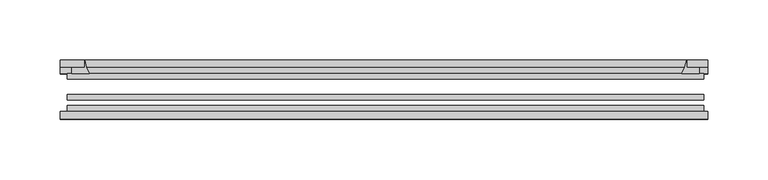
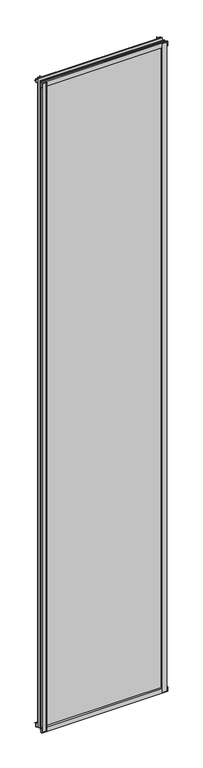
"""IFC4 building model written with IfcOpenShell, lengths in millimetres: plate geometry."""

import ifcopenshell
import ifcopenshell.guid

model = None  # the IFC model being written
_history = None  # IfcOwnerHistory: only IFC2X3 demands one
_inside = {}  # id of a spatial element -> (the spatial element, [elements in it])
_under = {}  # id of a project, library or spatial element -> (it, [spatial elements below it])
_declared = {}  # id of a project -> (the project, [libraries it declares])
_typed = {}  # id of a type object -> (the type object, [elements of that type])
_made_of = {}  # id of a material, layer set ... -> (it, [elements and type objects made of it])


def new_model(schema):
    """Start an empty IFC model of exactly this schema.

    Asked for "IFC4X3", IfcOpenShell would pick the latest addendum, in which some entities
    have other attributes; the version numbers below select the first issue.
    IFC2X3 requires an IfcOwnerHistory on every rooted entity: one is made here for all.
    """
    global model, _history
    if schema == "IFC4X3":
        model = ifcopenshell.file(schema_version=(4, 3, 0, 0))
    else:
        model = ifcopenshell.file(schema=schema)
    _inside.clear()
    _under.clear()
    _declared.clear()
    _typed.clear()
    _made_of.clear()
    _history = None
    if model.schema == "IFC2X3":
        org = make("IfcOrganization", Name="unknown")
        user = make(
            "IfcPersonAndOrganization",
            ThePerson=make("IfcPerson", FamilyName="unknown"),
            TheOrganization=org,
        )
        app = make(
            "IfcApplication",
            ApplicationDeveloper=org,
            Version="unknown",
            ApplicationFullName="unknown",
            ApplicationIdentifier="unknown",
        )
        _history = make(
            "IfcOwnerHistory",
            OwningUser=user,
            OwningApplication=app,
            ChangeAction="ADDED",
            CreationDate=0,
        )
    return model


def make(cls, **values):
    """One entity of the class cls with the attributes given. An attribute that is None is left unset."""
    return model.create_entity(
        cls, **{name: value for name, value in values.items() if value is not None}
    )


def rooted(cls, **values):
    """An entity with a GlobalId (a new one), such as an element, a storey or a relation."""
    return make(cls, GlobalId=ifcopenshell.guid.new(), OwnerHistory=_history, **values)


def si_unit(unit_type, name, prefix=None):
    """IfcSIUnit, for example si_unit("LENGTHUNIT", "METRE", prefix="MILLI")."""
    return make("IfcSIUnit", UnitType=unit_type, Prefix=prefix, Name=name)


def assignment(units):
    """IfcUnitAssignment: the units of a project."""
    return None if units is None else make("IfcUnitAssignment", Units=units)


def point(xyz):
    """IfcCartesianPoint."""
    return None if xyz is None else make("IfcCartesianPoint", Coordinates=xyz)


def direction(xyz):
    """IfcDirection."""
    return None if xyz is None else make("IfcDirection", DirectionRatios=xyz)


def frame(location, z_axis=None, x_axis=None):
    """IfcAxis2Placement3D, a coordinate frame: its origin and axes. An axis left out is left unset."""
    return make(
        "IfcAxis2Placement3D",
        Location=point(location),
        Axis=direction(z_axis),
        RefDirection=direction(x_axis),
    )


def frame_2d(location, x_axis=None):
    """IfcAxis2Placement2D, a coordinate frame in the plane: its origin and x axis."""
    return make(
        "IfcAxis2Placement2D", Location=point(location), RefDirection=direction(x_axis)
    )


def origin():
    """The frame at (0, 0, 0) with its axes left unset."""
    return frame((0.0, 0.0, 0.0))


def place(relative_to, where):
    """IfcLocalPlacement: puts the frame where relative to a parent placement (None: the world)."""
    return make(
        "IfcLocalPlacement", PlacementRelTo=relative_to, RelativePlacement=where
    )


def context(
    kind, dimensions, precision=None, world=None, true_north=None, identifier=None
):
    """IfcGeometricRepresentationContext, for example the 3D "Model" context."""
    return make(
        "IfcGeometricRepresentationContext",
        ContextIdentifier=identifier,
        ContextType=kind,
        CoordinateSpaceDimension=dimensions,
        Precision=precision,
        WorldCoordinateSystem=world,
        TrueNorth=true_north,
    )


def project(units=None, contexts=None):
    """IfcProject with its units and contexts."""
    return rooted(
        "IfcProject",
        Name="project",
        RepresentationContexts=contexts,
        UnitsInContext=assignment(units),
    )


def spatial(cls, under=None, at=None, **own):
    """A site, building, storey or space (cls), placed at a placement, below another one or the project."""
    s = rooted(cls, ObjectPlacement=at, **own)
    if under is not None:
        _under.setdefault(under.id(), (under, []))[1].append(s)
    return s


def polyline(points):
    """IfcPolyline through the points."""
    return make("IfcPolyline", Points=[point(p) for p in points])


def circle_curve(where, radius):
    """IfcCircle in the frame where."""
    return make("IfcCircle", Position=where, Radius=radius)


def trimmed(basis, trim1, trim2, sense, master):
    """IfcTrimmedCurve: the piece of a basis curve between two trims."""
    return make(
        "IfcTrimmedCurve",
        BasisCurve=basis,
        Trim1=trim1,
        Trim2=trim2,
        SenseAgreement=sense,
        MasterRepresentation=master,
    )


def segment(curve, same_sense, transition):
    """IfcCompositeCurveSegment."""
    return make(
        "IfcCompositeCurveSegment",
        Transition=transition,
        SameSense=same_sense,
        ParentCurve=curve,
    )


def composite_curve(segments, self_intersect=None):
    """IfcCompositeCurve: segments joined end to end."""
    return make("IfcCompositeCurve", Segments=segments, SelfIntersect=self_intersect)


def outline(outer, holes=None, kind="AREA"):
    """IfcArbitraryClosedProfileDef: a profile drawn as a closed curve; with holes, ...WithVoids."""
    if holes is None:
        return make("IfcArbitraryClosedProfileDef", ProfileType=kind, OuterCurve=outer)
    return make(
        "IfcArbitraryProfileDefWithVoids",
        ProfileType=kind,
        OuterCurve=outer,
        InnerCurves=holes,
    )


def extrude(swept, where, along, depth):
    """IfcExtrudedAreaSolid: the profile swept, set in the frame where, extruded along a direction by depth."""
    return make(
        "IfcExtrudedAreaSolid",
        SweptArea=swept,
        Position=where,
        ExtrudedDirection=direction(along),
        Depth=depth,
    )


def shape(context_of_items, identifier, shape_type, items):
    """IfcShapeRepresentation: the items that make up one representation, for example the "Body"."""
    return make(
        "IfcShapeRepresentation",
        ContextOfItems=context_of_items,
        RepresentationIdentifier=identifier,
        RepresentationType=shape_type,
        Items=items,
    )


def source(mapping_origin, context_of_items, identifier, shape_type, items):
    """IfcRepresentationMap: a shape defined once, which mapped items show again and again."""
    return make(
        "IfcRepresentationMap",
        MappingOrigin=mapping_origin,
        MappedRepresentation=shape(context_of_items, identifier, shape_type, items),
    )


def transform(
    local_origin,
    x_axis=None,
    y_axis=None,
    z_axis=None,
    scale=None,
    scale2=None,
    scale3=None,
    uniform=True,
):
    """IfcCartesianTransformationOperator3D, or its non-uniform kind. x_axis, y_axis, z_axis: its Axis1, 2, 3."""
    if uniform:
        return make(
            "IfcCartesianTransformationOperator3D",
            Axis1=direction(x_axis),
            Axis2=direction(y_axis),
            LocalOrigin=point(local_origin),
            Scale=scale,
            Axis3=direction(z_axis),
        )
    return make(
        "IfcCartesianTransformationOperator3DnonUniform",
        Axis1=direction(x_axis),
        Axis2=direction(y_axis),
        LocalOrigin=point(local_origin),
        Scale=scale,
        Axis3=direction(z_axis),
        Scale2=scale2,
        Scale3=scale3,
    )


def mapped(mapping_source, mapping_target):
    """IfcMappedItem: shows the shape of a source again, moved by a transform."""
    return make(
        "IfcMappedItem", MappingSource=mapping_source, MappingTarget=mapping_target
    )


def made_of(thing, what):
    """Note that an element or type object is made of a material, layer set ...; save() writes the relation."""
    if what is not None:
        _made_of.setdefault(what.id(), (what, []))[1].append(thing)
    return thing


def element(
    cls,
    number,
    at=None,
    inside=None,
    cuts=None,
    type_object=None,
    material=None,
    context=None,
    identifier="Body",
    shape_type=None,
    held_by="IfcProductDefinitionShape",
    body=None,
    shapes=None,
    **own,
):
    """One element of the class cls, such as IfcWall. Its Tag is "e" and its number.

    at: its placement. inside: the storey or other place that contains it. cuts: it is an
    opening in that element (IfcRelVoidsElement). A single representation is given by context,
    identifier, shape_type and body (its items); several are given by shapes. held_by: the class
    of the entity that holds the representations. save() writes the other relations.
    """
    e = rooted(cls, Tag="e%d" % number, ObjectPlacement=at, **own)
    if body is not None:
        shapes = [shape(context, identifier, shape_type, body)]
    if shapes is not None:
        e.Representation = make(held_by, Representations=shapes)
    if inside is not None:
        _inside.setdefault(inside.id(), (inside, []))[1].append(e)
    if cuts is not None:
        rooted(
            "IfcRelVoidsElement", RelatingBuildingElement=cuts, RelatedOpeningElement=e
        )
    if type_object is not None:
        _typed.setdefault(type_object.id(), (type_object, []))[1].append(e)
    return made_of(e, material)


def aggregate(whole, parts):
    """IfcRelAggregates: a whole, such as a stair, and the parts it consists of."""
    return rooted("IfcRelAggregates", RelatingObject=whole, RelatedObjects=parts)


def save(model, path):
    """Write the relations noted so far, then the file.

    IfcRelAggregates (storeys below a building ...), IfcRelContainedInSpatialStructure (elements
    in a storey), IfcRelDefinesByType, IfcRelAssociatesMaterial and IfcRelDeclares: one each for
    every whole, place, type object, material and project.
    """
    for whole, parts in _under.values():
        aggregate(whole, parts)
    for where, things in _inside.values():
        rooted(
            "IfcRelContainedInSpatialStructure",
            RelatedElements=things,
            RelatingStructure=where,
        )
    for kind, things in _typed.values():
        rooted("IfcRelDefinesByType", RelatedObjects=things, RelatingType=kind)
    for what, things in _made_of.values():
        rooted("IfcRelAssociatesMaterial", RelatedObjects=things, RelatingMaterial=what)
    for by, libraries in _declared.values():
        rooted("IfcRelDeclares", RelatingContext=by, RelatedDefinitions=libraries)
    model.write(path)


def plate_4a44f45f(model_context):
    return source(origin(), model_context, "Body", "SweptSolid", [
        extrude(outline(composite_curve([segment(polyline([(-266.1046875, -78.7828625), (-244.6834862, -78.7828625)]), True, "CONTINUOUS"), segment(trimmed(circle_curve(frame_2d((-237.0463206, -84.652782)), 9.6323545), [point((-244.6834862, -78.7828625))], [point((-246.666704, -85.1328625))], True, "CARTESIAN"), True, "CONTINUOUS"), segment(polyline([(-246.666704, -85.1328625), (-266.1046875, -85.1328625), (-266.1046875, -78.7828625)]), True, "CONTINUOUS")], self_intersect=False)), frame((0.0, 0.0, -14.2875), z_axis=(0.0, 0.0, 1.0), x_axis=(1.0, 0.0, 0.0)), (0.0, 0.0, 1.0), 2914.65),
        extrude(outline(composite_curve([segment(polyline([(263.5669065, -78.7828625), (263.5669065, -85.1328625), (244.0870165, -85.1328625)]), True, "CONTINUOUS"), segment(trimmed(circle_curve(frame_2d((234.4666331, -84.652782)), 9.6323545), [point((244.0870165, -85.1328625))], [point((242.1037987, -78.7828625))], True, "CARTESIAN"), True, "CONTINUOUS"), segment(polyline([(242.1037987, -78.7828625), (263.5669065, -78.7828625)]), True, "CONTINUOUS")], self_intersect=False)), frame((0.0, 0.0, -14.2875), z_axis=(0.0, 0.0, 1.0), x_axis=(1.0, 0.0, 0.0)), (0.0, 0.0, 1.0), 2914.65),
        extrude(outline(composite_curve([segment(polyline([(-47.1852625, -14.2875), (-47.1852625, 3.9588469)]), True, "CONTINUOUS"), segment(trimmed(circle_curve(frame_2d((-30.6824422, 32.267054)), 32.7673262), [point((-47.1852625, 3.9588469))], [point((-36.3503395, -0.00635))], True, "CARTESIAN"), True, "CONTINUOUS"), segment(polyline([(-36.3503395, -0.00635), (-42.2830625, -0.00635), (-42.2830625, -14.2875), (-47.1852625, -14.2875)]), True, "CONTINUOUS")], self_intersect=False)), frame((-269.2796875, 0.0, 0.0), z_axis=(1.0, 0.0, 0.0), x_axis=(0.0, 1.0, 0.0)), (0.0, 0.0, 1.0), 535.9796875),
        extrude(outline(composite_curve([segment(polyline([(-78.7828625, -16.8821065), (-85.1328625, -16.8821065), (-85.1328625, 2.5977835)]), True, "CONTINUOUS"), segment(trimmed(circle_curve(frame_2d((-84.652782, 12.2181669)), 9.6323545), [point((-85.1328625, 2.5977835))], [point((-78.7828625, 4.5810013))], True, "CARTESIAN"), True, "CONTINUOUS"), segment(polyline([(-78.7828625, 4.5810013), (-78.7828625, -16.8821065)]), True, "CONTINUOUS")], self_intersect=False)), frame((-269.2796875, 0.0, 0.0), z_axis=(1.0, 0.0, 0.0), x_axis=(0.0, 1.0, 0.0)), (0.0, 0.0, 1.0), 535.9796875),
        extrude(outline(composite_curve([segment(polyline([(-47.1852625, 2882.1034531), (-47.1852625, 2896.7752564), (-42.2830625, 2896.7752564), (-42.2830625, 2886.075), (-36.3140625, 2886.075)]), True, "CONTINUOUS"), segment(trimmed(circle_curve(frame_2d((-30.6824422, 2853.795246)), 32.7673262), [point((-36.3140625, 2886.075))], [point((-47.1852625, 2882.1034531))], True, "CARTESIAN"), True, "CONTINUOUS")], self_intersect=False)), frame((-269.2796875, 0.0, 0.0), z_axis=(1.0, 0.0, 0.0), x_axis=(0.0, 1.0, 0.0)), (0.0, 0.0, 1.0), 535.9796875),
        extrude(outline(composite_curve([segment(polyline([(-78.7828625, 2902.9444065), (-78.7828625, 2881.4812987)]), True, "CONTINUOUS"), segment(trimmed(circle_curve(frame_2d((-84.652782, 2873.8441331)), 9.6323545), [point((-78.7828625, 2881.4812987))], [point((-85.1328625, 2883.4645165))], True, "CARTESIAN"), True, "CONTINUOUS"), segment(polyline([(-85.1328625, 2883.4645165), (-85.1328625, 2902.9444065), (-78.7828625, 2902.9444065)]), True, "CONTINUOUS")], self_intersect=False)), frame((-269.2796875, 0.0, 0.0), z_axis=(1.0, 0.0, 0.0), x_axis=(0.0, 1.0, 0.0)), (0.0, 0.0, 1.0), 535.9796875),
        extrude(outline(composite_curve([segment(trimmed(circle_curve(frame_2d((216.957746, -30.6824422)), 32.7673262), [point((245.2659531, -47.1852625))], [point((249.2375, -36.3140625))], True, "CARTESIAN"), True, "CONTINUOUS"), segment(polyline([(249.2375, -36.3140625), (249.2375, -42.2830625), (259.9378653, -42.2830625), (259.9378653, -47.1852625), (245.2659531, -47.1852625)]), True, "CONTINUOUS")], self_intersect=False)), frame((0.0, 0.0, -14.2875), z_axis=(0.0, 0.0, 1.0), x_axis=(1.0, 0.0, 0.0)), (0.0, 0.0, 1.0), 2914.65),
        extrude(outline(composite_curve([segment(polyline([(-245.2659531, -47.1852625), (-259.9327092, -47.1852625), (-259.9327092, -42.2830625), (-249.2375, -42.2830625), (-249.2375, -36.3140625)]), True, "CONTINUOUS"), segment(trimmed(circle_curve(frame_2d((-216.957746, -30.6824422)), 32.7673262), [point((-249.2375, -36.3140625))], [point((-245.2659531, -47.1852625))], True, "CARTESIAN"), True, "CONTINUOUS")], self_intersect=False)), frame((0.0, 0.0, -14.2875), z_axis=(0.0, 0.0, 1.0), x_axis=(1.0, 0.0, 0.0)), (0.0, 0.0, 1.0), 2914.65),
        extrude(outline(polyline([(263.525, -64.6604625), (263.525, -69.4356625), (-263.525, -69.4356625), (-263.525, -64.6604625), (263.525, -64.6604625)])), frame((0.0, 0.0, -14.2875), z_axis=(0.0, 0.0, 1.0), x_axis=(1.0, 0.0, 0.0)), (0.0, 0.0, 1.0), 2914.65),
        extrude(outline(polyline([(-263.525, -78.7828625), (-263.525, -74.0076625), (263.525, -74.0076625), (263.525, -78.7828625), (-263.525, -78.7828625)])), frame((0.0, 0.0, -14.2875), z_axis=(0.0, 0.0, 1.0), x_axis=(1.0, 0.0, 0.0)), (0.0, 0.0, 1.0), 2914.65),
        extrude(outline(polyline([(-263.525, -47.1852625), (263.525, -47.1852625), (263.525, -51.9604625), (-263.525, -51.9604625), (-263.525, -47.1852625)])), frame((0.0, 0.0, -14.2875), z_axis=(0.0, 0.0, 1.0), x_axis=(1.0, 0.0, 0.0)), (0.0, 0.0, 1.0), 2914.65),
    ])


if __name__ == "__main__":
    model = new_model("IFC4")
    model_context = context("Model", 3, world=origin())
    ifc_project = project(units=[si_unit("LENGTHUNIT", "METRE", prefix="MILLI")], contexts=[model_context])
    site = spatial("IfcSite", under=ifc_project)
    building = spatial("IfcBuilding", under=site)
    placement = place(None, origin())
    plate_shape = plate_4a44f45f(model_context)
    element("IfcPlate", 1, at=placement, inside=building, context=model_context, shape_type="MappedRepresentation", body=[
        mapped(plate_shape, transform((0.0, 0.0, 0.0), x_axis=(1.0, 0.0, 0.0), y_axis=(0.0, 1.0, 0.0), z_axis=(0.0, 0.0, 1.0))),
    ])
    save(model, "model.ifc")
